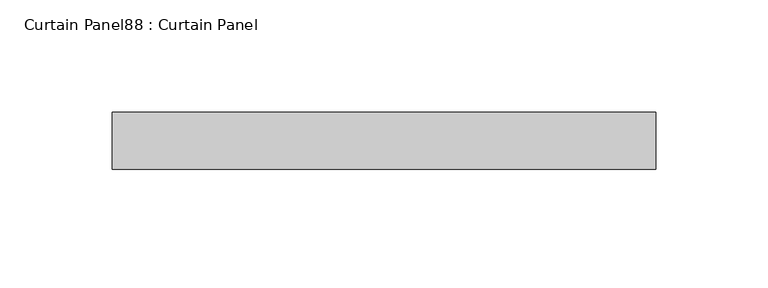
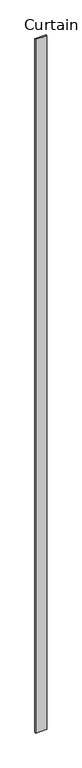
"""IFC4 building model written with IfcOpenShell, lengths in millimetres: plate geometry, Curtain Panel88 : Curtain Panel."""

from ifc_helpers import new_model, si_unit, frame, origin, place, context, project, spatial, polyline, outline, extrude, source, transform, mapped, element, save


def curtain_panel88_curtain_panel_6080a6a7(model_context):
    return source(origin(), model_context, "Body", "SweptSolid", [
        extrude(outline(polyline([(175616.3950674, 7952.3834949), (175374.1959888, 7952.3834949), (175374.1959888, 7977.7834949), (175616.3950674, 7977.7834949), (175616.3950674, 7952.3834949)])), frame((0.0, 0.0, 1433.7679301), z_axis=(0.0, 0.0, 1.0), x_axis=(1.0, 0.0, 0.0)), (0.0, 0.0, 1.0), 15837.0064664),
    ])


if __name__ == "__main__":
    model = new_model("IFC4")
    model_context = context("Model", 3, world=origin())
    ifc_project = project(units=[si_unit("LENGTHUNIT", "METRE", prefix="MILLI")], contexts=[model_context])
    site = spatial("IfcSite", under=ifc_project)
    building = spatial("IfcBuilding", under=site)
    placement = place(None, origin())
    curtain_panel88_curtain_panel_shape = curtain_panel88_curtain_panel_6080a6a7(model_context)
    element("IfcPlate", 1, ObjectType="Curtain Panel88 : Curtain Panel", at=placement, inside=building, context=model_context, shape_type="MappedRepresentation", body=[
        mapped(curtain_panel88_curtain_panel_shape, transform((0.0, 0.0, 0.0), x_axis=(1.0, 0.0, 0.0), y_axis=(0.0, 1.0, 0.0), z_axis=(0.0, 0.0, 1.0))),
    ])
    save(model, "model.ifc")
